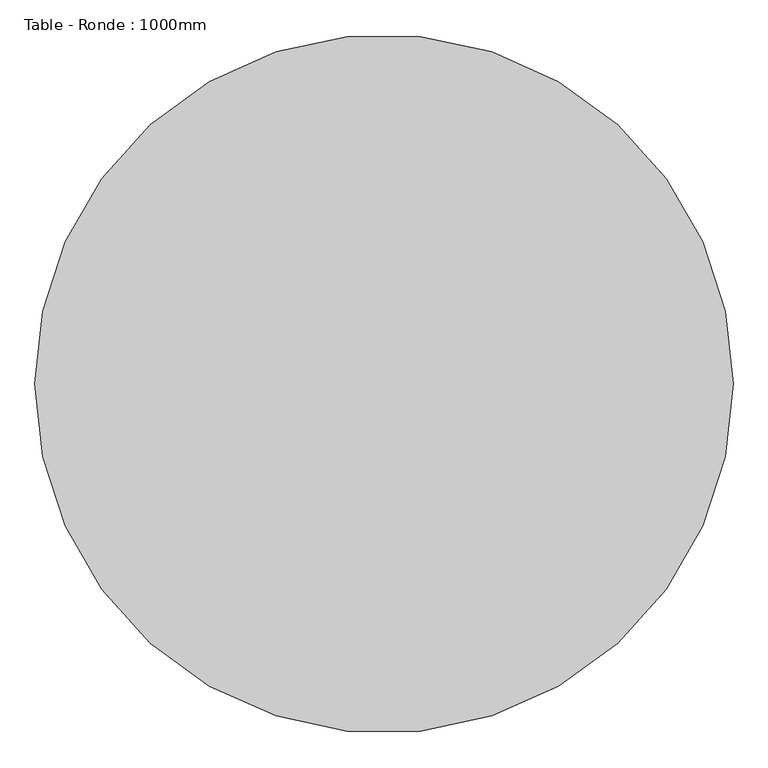
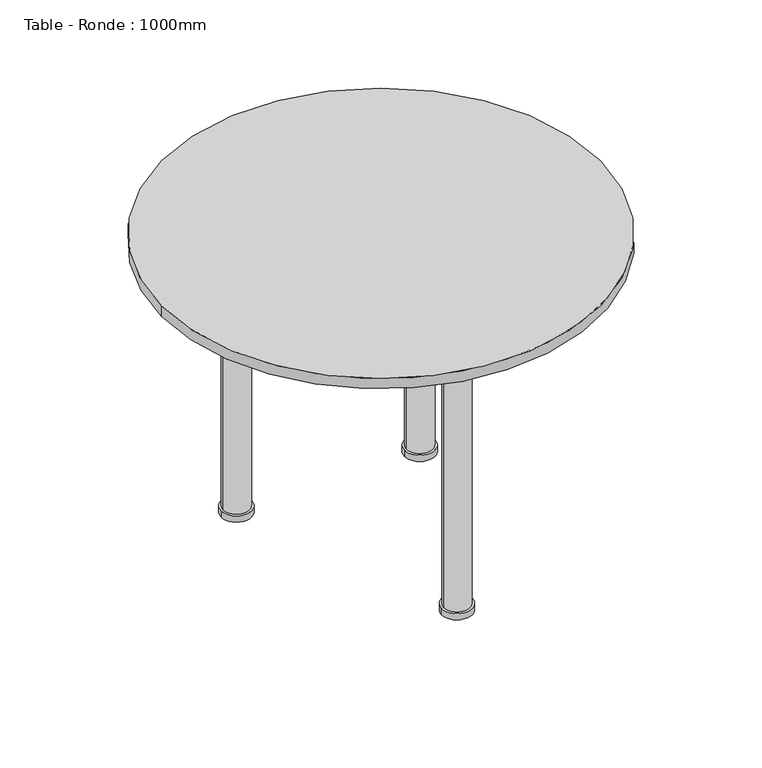
"""IFC4 building model written with IfcOpenShell, lengths in millimetres: furniture geometry, Table - Ronde : 1000mm."""

from ifc_helpers import new_model, si_unit, point, frame, frame_2d, origin, origin_with_axes, place, context, project, spatial, polyline, circle_curve, trimmed, segment, composite_curve, outline, extrude, source, transform, mapped, element, save
from ifc_brep_helpers import plane_surface, cylinder_surface, revolved_surface, advanced_brep


def table_ronde_1000mm_3496766b(model_context):
    return source(origin(), model_context, "Body", "SolidModel", [
        extrude(outline(composite_curve([segment(trimmed(circle_curve(frame_2d((-208.9002264, 20.0786006)), 35.0), [point((-243.9002264, 20.0786006))], [point((-173.9002264, 20.0786006))], False, "CARTESIAN"), True, "CONTINUOUS"), segment(trimmed(circle_curve(frame_2d((-208.9002264, 20.0786006)), 35.0), [point((-173.9002264, 20.0786006))], [point((-243.9002264, 20.0786006))], False, "CARTESIAN"), True, "CONTINUOUS")], self_intersect=False)), origin_with_axes(), (0.0, 0.0, 1.0), 15.0),
        advanced_brep(
        [(-208.9002264, 20.0786006, 15.0), (-178.9002264, 20.0786006, 15.0), (-238.9002264, 20.0786006, 15.0), (-165.9002264, 20.0786006, 700.0), (-208.9002264, 20.0786006, 700.0), (-251.9002264, 20.0786006, 700.0), (-175.9002264, 20.0786006, 650.0), (-241.9002264, 20.0786006, 650.0), (-178.9002264, 20.0786006, 650.0), (-238.9002264, 20.0786006, 650.0)],
        [
            (0, 1),
            (1, 2, circle_curve(frame((-208.9002264, 20.0786006, 15.0), z_axis=(0.0, 0.0, -1.0), x_axis=(-1.0, 0.0, 0.0)), 30.0)),
            (2, 0),
            (2, 1, circle_curve(frame((-208.9002264, 20.0786006, 15.0), z_axis=(0.0, 0.0, -1.0), x_axis=(-1.0, 0.0, 0.0)), 30.0)),
            (3, 4),
            (4, 5),
            (5, 3, circle_curve(frame((-208.9002264, 20.0786006, 700.0), z_axis=(0.0, 0.0, 1.0), x_axis=(-1.0, 0.0, 0.0)), 43.0)),
            (3, 5, circle_curve(frame((-208.9002264, 20.0786006, 700.0), z_axis=(0.0, 0.0, 1.0), x_axis=(-1.0, 0.0, 0.0)), 43.0)),
            (6, 3),
            (5, 7),
            (7, 6, circle_curve(frame((-208.9002264, 20.0786006, 650.0), z_axis=(0.0, 0.0, 1.0), x_axis=(-1.0, 0.0, 0.0)), 33.0)),
            (6, 7, circle_curve(frame((-208.9002264, 20.0786006, 650.0), z_axis=(0.0, 0.0, 1.0), x_axis=(-1.0, 0.0, 0.0)), 33.0)),
            (8, 6),
            (7, 9),
            (9, 8, circle_curve(frame((-208.9002264, 20.0786006, 650.0), z_axis=(0.0, 0.0, 1.0), x_axis=(-1.0, 0.0, 0.0)), 30.0)),
            (8, 9, circle_curve(frame((-208.9002264, 20.0786006, 650.0), z_axis=(0.0, 0.0, 1.0), x_axis=(-1.0, 0.0, 0.0)), 30.0)),
            (1, 8),
            (9, 2),
        ],
        [
            plane_surface(frame((-208.9002264, 20.0786006, 15.0), z_axis=(0.0, 0.0, -1.0), x_axis=(-1.0, 0.0, 0.0))),
            plane_surface(frame((-208.9002264, 20.0786006, 700.0), z_axis=(0.0, 0.0, 1.0), x_axis=(-1.0, 0.0, 0.0))),
            revolved_surface(polyline([(-251.9002264, 20.0786006, 700.0), (-241.9002264, 20.0786006, 650.0)]), (-208.9002264, 20.0786006, 15.0), (0.0, 0.0, -1.0)),
            plane_surface(frame((-208.9002264, 20.0786006, 650.0), z_axis=(0.0, 0.0, -1.0), x_axis=(-1.0, 0.0, 0.0))),
            cylinder_surface(frame((-208.9002264, 20.0786006, 15.0), z_axis=(0.0, 0.0, -1.0), x_axis=(-1.0, 0.0, 0.0)), 30.0),
        ],
        [
            (0, [[1, 2, 3]]),
            (0, [[-3, 4, -1]]),
            (1, [[5, 6, 7]]),
            (1, [[-6, -5, 8]]),
            (2, [[9, -7, 10, 11]]),
            (2, [[-10, -8, -9, 12]]),
            (3, [[13, -11, 14, 15]]),
            (3, [[-14, -12, -13, 16]]),
            (4, [[17, -15, 18, -2]]),
            (4, [[-18, -16, -17, -4]]),
        ],
    ),
        extrude(outline(composite_curve([segment(trimmed(circle_curve(frame_2d((208.9002264, 20.0786006)), 35.0), [point((243.9002264, 20.0786006))], [point((173.9002264, 20.0786006))], False, "CARTESIAN"), True, "CONTINUOUS"), segment(trimmed(circle_curve(frame_2d((208.9002264, 20.0786006)), 35.0), [point((173.9002264, 20.0786006))], [point((243.9002264, 20.0786006))], False, "CARTESIAN"), True, "CONTINUOUS")], self_intersect=False)), origin_with_axes(), (0.0, 0.0, 1.0), 15.0),
        advanced_brep(
        [(208.9002264, 20.0786006, 15.0), (238.9002264, 20.0786006, 15.0), (178.9002264, 20.0786006, 15.0), (165.9002264, 20.0786006, 700.0), (251.9002264, 20.0786006, 700.0), (208.9002264, 20.0786006, 700.0), (175.9002264, 20.0786006, 650.0), (241.9002264, 20.0786006, 650.0), (178.9002264, 20.0786006, 650.0), (238.9002264, 20.0786006, 650.0)],
        [
            (0, 1),
            (1, 2, circle_curve(frame((208.9002264, 20.0786006, 15.0), z_axis=(0.0, 0.0, -1.0), x_axis=(1.0, 0.0, 0.0)), 30.0)),
            (2, 0),
            (2, 1, circle_curve(frame((208.9002264, 20.0786006, 15.0), z_axis=(0.0, 0.0, -1.0), x_axis=(1.0, 0.0, 0.0)), 30.0)),
            (3, 4, circle_curve(frame((208.9002264, 20.0786006, 700.0), z_axis=(0.0, 0.0, 1.0), x_axis=(1.0, 0.0, 0.0)), 43.0)),
            (4, 5),
            (5, 3),
            (4, 3, circle_curve(frame((208.9002264, 20.0786006, 700.0), z_axis=(0.0, 0.0, 1.0), x_axis=(1.0, 0.0, 0.0)), 43.0)),
            (6, 7, circle_curve(frame((208.9002264, 20.0786006, 650.0), z_axis=(0.0, 0.0, 1.0), x_axis=(1.0, 0.0, 0.0)), 33.0)),
            (7, 4),
            (3, 6),
            (7, 6, circle_curve(frame((208.9002264, 20.0786006, 650.0), z_axis=(0.0, 0.0, 1.0), x_axis=(1.0, 0.0, 0.0)), 33.0)),
            (8, 9, circle_curve(frame((208.9002264, 20.0786006, 650.0), z_axis=(0.0, 0.0, 1.0), x_axis=(1.0, 0.0, 0.0)), 30.0)),
            (9, 7),
            (6, 8),
            (9, 8, circle_curve(frame((208.9002264, 20.0786006, 650.0), z_axis=(0.0, 0.0, 1.0), x_axis=(1.0, 0.0, 0.0)), 30.0)),
            (1, 9),
            (8, 2),
        ],
        [
            plane_surface(frame((208.9002264, 20.0786006, 15.0), z_axis=(0.0, 0.0, -1.0), x_axis=(1.0, 0.0, 0.0))),
            plane_surface(frame((208.9002264, 20.0786006, 700.0), z_axis=(0.0, 0.0, 1.0), x_axis=(1.0, 0.0, 0.0))),
            revolved_surface(polyline([(251.9002264, 20.0786006, 700.0), (241.9002264, 20.0786006, 650.0)]), (208.9002264, 20.0786006, 15.0), (0.0, 0.0, -1.0)),
            plane_surface(frame((208.9002264, 20.0786006, 650.0), z_axis=(0.0, 0.0, -1.0), x_axis=(1.0, 0.0, 0.0))),
            cylinder_surface(frame((208.9002264, 20.0786006, 15.0), z_axis=(0.0, 0.0, -1.0), x_axis=(1.0, 0.0, 0.0)), 30.0),
        ],
        [
            (0, [[1, 2, 3]]),
            (0, [[-3, 4, -1]]),
            (1, [[5, 6, 7]]),
            (1, [[8, -7, -6]]),
            (2, [[9, 10, -5, 11]]),
            (2, [[12, -11, -8, -10]]),
            (3, [[13, 14, -9, 15]]),
            (3, [[16, -15, -12, -14]]),
            (4, [[-2, 17, -13, 18]]),
            (4, [[-4, -18, -16, -17]]),
        ],
    ),
        extrude(outline(composite_curve([segment(trimmed(circle_curve(frame_2d((0.0, -488.8216258)), 35.0), [point((-35.0, -488.8216258))], [point((35.0, -488.8216258))], False, "CARTESIAN"), True, "CONTINUOUS"), segment(trimmed(circle_curve(frame_2d((0.0, -488.8216258)), 35.0), [point((35.0, -488.8216258))], [point((-35.0, -488.8216258))], False, "CARTESIAN"), True, "CONTINUOUS")], self_intersect=False)), origin_with_axes(), (0.0, 0.0, 1.0), 15.0),
        advanced_brep(
        [(0.0, -488.8216258, 15.0), (-30.0, -488.8216258, 15.0), (30.0, -488.8216258, 15.0), (43.0, -488.8216258, 700.0), (-43.0, -488.8216258, 700.0), (0.0, -488.8216258, 700.0), (33.0, -488.8216258, 650.0), (-33.0, -488.8216258, 650.0), (30.0, -488.8216258, 650.0), (-30.0, -488.8216258, 650.0)],
        [
            (0, 1),
            (1, 2, circle_curve(frame((0.0, -488.8216258, 15.0), z_axis=(0.0, 0.0, -1.0), x_axis=(-1.0, 0.0, 0.0)), 30.0)),
            (2, 0),
            (2, 1, circle_curve(frame((0.0, -488.8216258, 15.0), z_axis=(0.0, 0.0, -1.0), x_axis=(-1.0, 0.0, 0.0)), 30.0)),
            (3, 4, circle_curve(frame((0.0, -488.8216258, 700.0), z_axis=(0.0, 0.0, 1.0), x_axis=(-1.0, 0.0, 0.0)), 43.0)),
            (4, 5),
            (5, 3),
            (4, 3, circle_curve(frame((0.0, -488.8216258, 700.0), z_axis=(0.0, 0.0, 1.0), x_axis=(-1.0, 0.0, 0.0)), 43.0)),
            (6, 7, circle_curve(frame((0.0, -488.8216258, 650.0), z_axis=(0.0, 0.0, 1.0), x_axis=(-1.0, 0.0, 0.0)), 33.0)),
            (7, 4),
            (3, 6),
            (7, 6, circle_curve(frame((0.0, -488.8216258, 650.0), z_axis=(0.0, 0.0, 1.0), x_axis=(-1.0, 0.0, 0.0)), 33.0)),
            (8, 9, circle_curve(frame((0.0, -488.8216258, 650.0), z_axis=(0.0, 0.0, 1.0), x_axis=(-1.0, 0.0, 0.0)), 30.0)),
            (9, 7),
            (6, 8),
            (9, 8, circle_curve(frame((0.0, -488.8216258, 650.0), z_axis=(0.0, 0.0, 1.0), x_axis=(-1.0, 0.0, 0.0)), 30.0)),
            (1, 9),
            (8, 2),
        ],
        [
            plane_surface(frame((0.0, -488.8216258, 15.0), z_axis=(0.0, 0.0, -1.0), x_axis=(-1.0, 0.0, 0.0))),
            plane_surface(frame((0.0, -488.8216258, 700.0), z_axis=(0.0, 0.0, 1.0), x_axis=(-1.0, 0.0, 0.0))),
            revolved_surface(polyline([(-43.0, -488.8216258, 700.0), (-33.0, -488.8216258, 650.0)]), (0.0, -488.8216258, 15.0), (0.0, 0.0, -1.0)),
            plane_surface(frame((0.0, -488.8216258, 650.0), z_axis=(0.0, 0.0, -1.0), x_axis=(-1.0, 0.0, 0.0))),
            cylinder_surface(frame((0.0, -488.8216258, 15.0), z_axis=(0.0, 0.0, -1.0), x_axis=(-1.0, 0.0, 0.0)), 30.0),
        ],
        [
            (0, [[1, 2, 3]]),
            (0, [[-3, 4, -1]]),
            (1, [[5, 6, 7]]),
            (1, [[8, -7, -6]]),
            (2, [[9, 10, -5, 11]]),
            (2, [[12, -11, -8, -10]]),
            (3, [[13, 14, -9, 15]]),
            (3, [[16, -15, -12, -14]]),
            (4, [[-2, 17, -13, 18]]),
            (4, [[-4, -18, -16, -17]]),
        ],
    ),
        extrude(outline(composite_curve([segment(trimmed(circle_curve(frame_2d((0.0, -188.8216258)), 500.0), [point((-500.0, -188.8216258))], [point((500.0, -188.8216258))], False, "CARTESIAN"), True, "CONTINUOUS"), segment(trimmed(circle_curve(frame_2d((0.0, -188.8216258)), 500.0), [point((500.0, -188.8216258))], [point((-500.0, -188.8216258))], False, "CARTESIAN"), True, "CONTINUOUS")], self_intersect=False)), frame((0.0, 0.0, 700.0), z_axis=(0.0, 0.0, 1.0), x_axis=(1.0, 0.0, 0.0)), (0.0, 0.0, 1.0), 25.0),
    ])


if __name__ == "__main__":
    model = new_model("IFC4")
    model_context = context("Model", 3, world=origin())
    ifc_project = project(units=[si_unit("LENGTHUNIT", "METRE", prefix="MILLI")], contexts=[model_context])
    site = spatial("IfcSite", under=ifc_project)
    building = spatial("IfcBuilding", under=site)
    placement = place(None, origin())
    table_ronde_1000mm_shape = table_ronde_1000mm_3496766b(model_context)
    element("IfcFurniture", 1, ObjectType="Table - Ronde : 1000mm", at=placement, inside=building, context=model_context, shape_type="MappedRepresentation", body=[
        mapped(table_ronde_1000mm_shape, transform((0.0, 0.0, 0.0), x_axis=(1.0, 0.0, 0.0), y_axis=(0.0, 1.0, 0.0), z_axis=(0.0, 0.0, 1.0))),
    ])
    save(model, "model.ifc")
